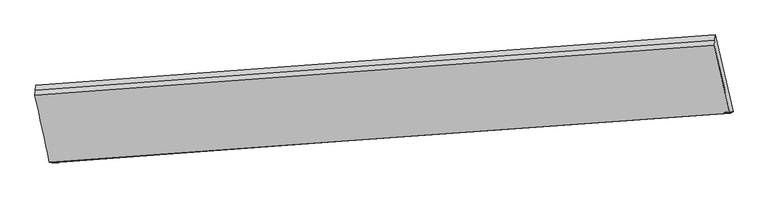
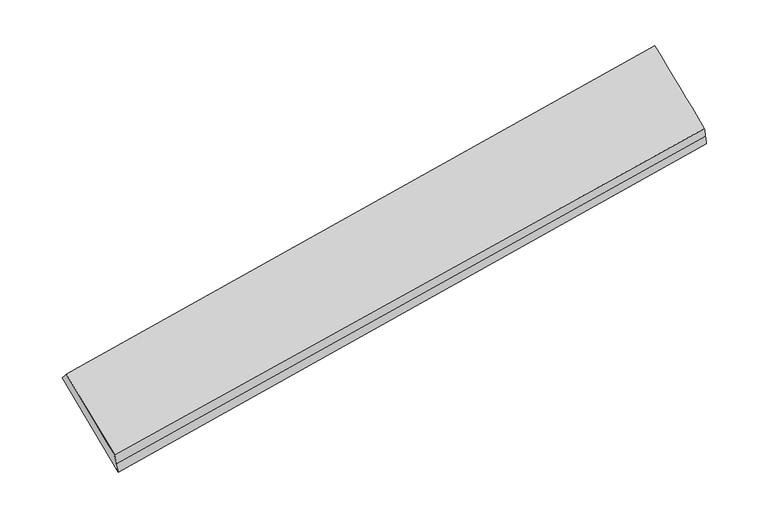
"""IFC4 building model written with IfcOpenShell, lengths in millimetres: proxy geometry."""

from ifc_helpers import new_model, si_unit, frame, origin, place, context, project, spatial, source, transform, mapped, element, save
from ifc_brep_helpers import plane_surface, spline_surface, advanced_brep


def generic_models_cb85c56a(model_context):
    return source(origin(), model_context, "Body", "AdvancedBrep", [
        advanced_brep(
        [(-7816.2707596, -1316.0782965, 1733.4099664), (-7610.1596393, -2263.6257288, 906.8501675), (2022.9342314, -1574.4649768, 2511.4554715), (1803.2104527, -611.1615673, 3371.9386465), (-7584.1146169, -2267.810135, 752.2266986), (2045.7534014, -1562.105036, 2371.7443881), (-7558.0695945, -2271.9945411, 597.6032297), (2068.5725714, -1549.7450951, 2232.0333047), (-7801.3223806, -1177.7262419, 1583.5451167), (1819.273699, -462.4910568, 3210.8967034), (-7808.7965701, -1246.9022692, 1658.4775416), (1811.2420759, -536.826312, 3291.4176749)],
        [
            (0, 1),
            (1, 2),
            (2, 3),
            (3, 0),
            (1, 4),
            (4, 5),
            (5, 2),
            (4, 6),
            (6, 7),
            (7, 5),
            (6, 8),
            (8, 9),
            (9, 7),
            (8, 10),
            (10, 11),
            (11, 9),
            (10, 0),
            (3, 11),
        ],
        [
            spline_surface(1, 1, [[(-7816.2707596, -1316.0782965, 1733.4099664), (1803.2104527, -611.1615673, 3371.9386465)], [(-7610.1596393, -2263.6257288, 906.8501675), (2022.9342314, -1574.4649768, 2511.4554715)]], [2, 2], [2, 2], [0.0, 1.0], [0.0, 1.0]),
            spline_surface(1, 1, [[(-7610.1596393, -2263.6257288, 906.8501675), (2022.9342314, -1574.4649768, 2511.4554715)], [(-7584.1146169, -2267.810135, 752.2266986), (2045.7534014, -1562.105036, 2371.7443881)]], [2, 2], [2, 2], [0.0, 1.0], [0.0, 1.0]),
            spline_surface(1, 1, [[(-7584.1146169, -2267.810135, 752.2266986), (2045.7534014, -1562.105036, 2371.7443881)], [(-7558.0695945, -2271.9945411, 597.6032297), (2068.5725714, -1549.7450951, 2232.0333047)]], [2, 2], [2, 2], [0.0, 1.0], [0.0, 1.0]),
            spline_surface(1, 1, [[(-7558.0695945, -2271.9945411, 597.6032297), (2068.5725714, -1549.7450951, 2232.0333047)], [(-7801.3223806, -1177.7262419, 1583.5451167), (1819.273699, -462.4910568, 3210.8967034)]], [2, 2], [2, 2], [0.0, 1.0], [0.0, 1.0]),
            plane_surface(frame((-7805.0594754, -1212.3142555, 1621.0113291), z_axis=(-0.16610090794376908, 0.7327616387565985, 0.6599021663451331), x_axis=(-0.07309373983888891, -0.676506069203739, 0.7328006847205253))),
            plane_surface(frame((-7812.5336649, -1281.4902829, 1695.943754), z_axis=(-0.16610090794376914, 0.7327616387565984, 0.6599021663451335), x_axis=(-0.07309373983888647, -0.6765060692037392, 0.7328006847205255))),
            plane_surface(frame((1928.4977386, -1049.465674, 2831.5810315), z_axis=(0.9830761399433395, 0.07488735411226656, 0.16719206700130235), x_axis=(-0.07309373983888769, -0.6765060692037391, 0.7328006847205254))),
            plane_surface(frame((-7696.4555935, -1757.3562021, 1205.3521201), z_axis=(-0.98392431341182, -0.07113094704141104, -0.1638088332479999), x_axis=(0.07309373983888827, 0.6765060692037393, -0.7328006847205252))),
        ],
        [
            (0, [[1, 2, 3, 4]]),
            (1, [[5, 6, 7, -2]]),
            (2, [[8, 9, 10, -6]]),
            (3, [[11, 12, 13, -9]]),
            (4, [[14, 15, 16, -12]]),
            (5, [[17, -4, 18, -15]]),
            (6, [[-16, -18, -3, -7, -10, -13]]),
            (7, [[-17, -14, -11, -8, -5, -1]]),
        ],
    ),
    ])


if __name__ == "__main__":
    model = new_model("IFC4")
    model_context = context("Model", 3, world=origin())
    ifc_project = project(units=[si_unit("LENGTHUNIT", "METRE", prefix="MILLI")], contexts=[model_context])
    site = spatial("IfcSite", under=ifc_project)
    building = spatial("IfcBuilding", under=site)
    placement = place(None, origin())
    generic_models_shape = generic_models_cb85c56a(model_context)
    element("IfcBuildingElementProxy", 1, Name="Generic Models", at=placement, inside=building, context=model_context, shape_type="MappedRepresentation", body=[
        mapped(generic_models_shape, transform((0.0, 0.0, 0.0), x_axis=(1.0, 0.0, 0.0), y_axis=(0.0, 1.0, 0.0), z_axis=(0.0, 0.0, 1.0))),
    ])
    save(model, "model.ifc")
